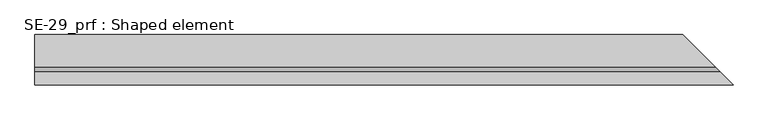
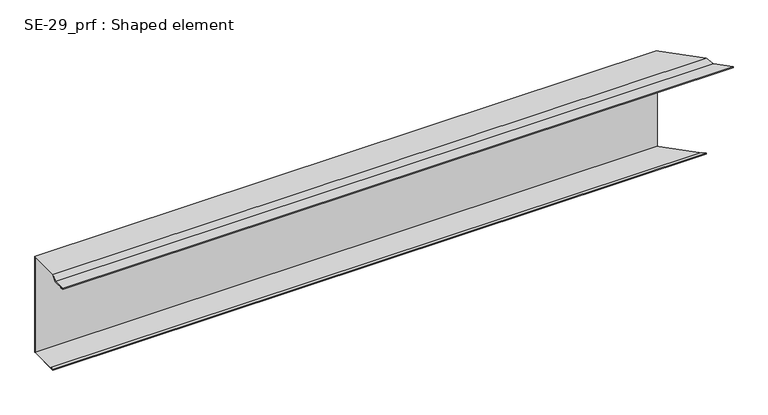
"""IFC4 building model written with IfcOpenShell, lengths in millimetres: proxy geometry, SE-29_prf : Shaped element."""

from ifc_helpers import new_model, si_unit, origin, place, context, project, spatial, faceted_brep, source, transform, mapped, element, save


def se_29_prf_shaped_element_fa0fe028(model_context):
    return source(origin(), model_context, "Body", "Brep", [
        faceted_brep([(0.0, -150.8492424, 2.0), (2150.8492424, -150.8492424, 2.0), (2150.8492424, -150.8492424, 5.0), (0.0, -150.8492424, 5.0), (0.0, -140.8492424, 2.0), (2140.8492424, -140.8492424, 2.0), (0.0, -140.8492424, 3.0), (2140.8492424, -140.8492424, 3.0), (0.0, -149.8492424, 3.0), (2149.8492424, -149.8492424, 3.0), (0.0, -149.8492424, 4.0), (2149.8492424, -149.8492424, 4.0), (0.0, -110.4350288, 4.0), (2110.4350288, -110.4350288, 4.0), (0.0, 3.0, -304.0), (1997.0, 3.0, -304.0), (1997.0, 3.0, 18.8492424), (0.0, 3.0, 18.8492424), (0.0, -95.0, -304.0), (2095.0, -95.0, -304.0), (2000.0, 0.0, -304.0), (0.0, 0.0, -304.0), (0.0, -95.0, -303.0), (2095.0, -95.0, -303.0), (0.0, -86.0, -303.0), (2086.0, -86.0, -303.0), (0.0, -86.0, -302.0), (2086.0, -86.0, -302.0), (0.0, -96.0, -302.0), (2096.0, -96.0, -302.0), (0.0, -96.0, -305.0), (2096.0, -96.0, -305.0), (0.0, 0.0, -305.0), (0.0, 4.0, -305.0), (1996.0, 4.0, -305.0), (2000.0, 0.0, -305.0), (0.0, 4.0, 19.8492424), (1996.0, 4.0, 19.8492424), (2110.8492424, -110.8492424, 5.0), (0.0, -110.8492424, 5.0), (0.0, -95.5857864, 18.8492424), (2095.5857864, -95.5857864, 18.8492424), (0.0, 0.0, 18.8492424), (2000.0, 0.0, 18.8492424), (0.0, -96.0, 19.8492424), (2096.0, -96.0, 19.8492424), (2000.0, 0.0, 19.8492424), (0.0, 0.0, 19.8492424)], [[[0, 1, 2, 3]], [[4, 5, 1, 0]], [[6, 7, 5, 4]], [[8, 9, 7, 6]], [[10, 11, 9, 8]], [[12, 13, 11, 10]], [[14, 15, 16, 17]], [[18, 19, 20, 15, 14, 21]], [[22, 23, 19, 18]], [[24, 25, 23, 22]], [[26, 27, 25, 24]], [[28, 29, 27, 26]], [[30, 31, 29, 28]], [[32, 33, 34, 35, 31, 30]], [[36, 37, 34, 33]], [[3, 2, 38, 39]], [[40, 41, 13, 12]], [[42, 17, 16, 43, 41, 40]], [[44, 45, 46, 37, 36, 47]], [[39, 38, 45, 44]], [[32, 30, 28, 26, 24, 22, 18, 21]], [[42, 40, 12, 10, 8, 6, 4, 0, 3, 39, 44, 47]], [[21, 14, 17, 42, 47, 36, 33, 32]], [[20, 19, 23, 25, 27, 29, 31, 35]], [[46, 45, 38, 2, 1, 5, 7, 9, 11, 13, 41, 43]], [[35, 34, 37, 46, 43, 16, 15, 20]]]),
    ])


if __name__ == "__main__":
    model = new_model("IFC4")
    model_context = context("Model", 3, world=origin())
    ifc_project = project(units=[si_unit("LENGTHUNIT", "METRE", prefix="MILLI")], contexts=[model_context])
    site = spatial("IfcSite", under=ifc_project)
    building = spatial("IfcBuilding", under=site)
    placement = place(None, origin())
    se_29_prf_shaped_element_shape = se_29_prf_shaped_element_fa0fe028(model_context)
    element("IfcBuildingElementProxy", 1, Name="SE-29_prf : Shaped element", ObjectType="SE-29_prf : Shaped element", at=placement, inside=building, context=model_context, shape_type="MappedRepresentation", body=[
        mapped(se_29_prf_shaped_element_shape, transform((0.0, 0.0, 0.0), x_axis=(1.0, 0.0, 0.0), y_axis=(0.0, 1.0, 0.0), z_axis=(0.0, 0.0, 1.0))),
    ])
    save(model, "model.ifc")
